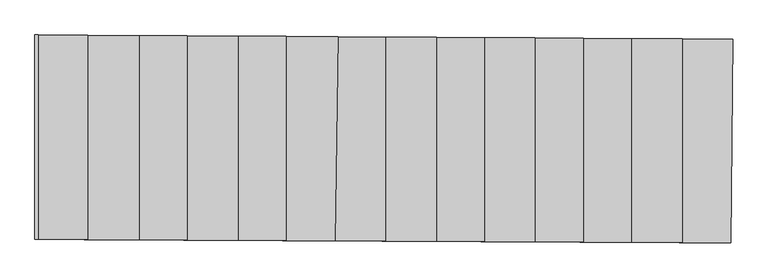
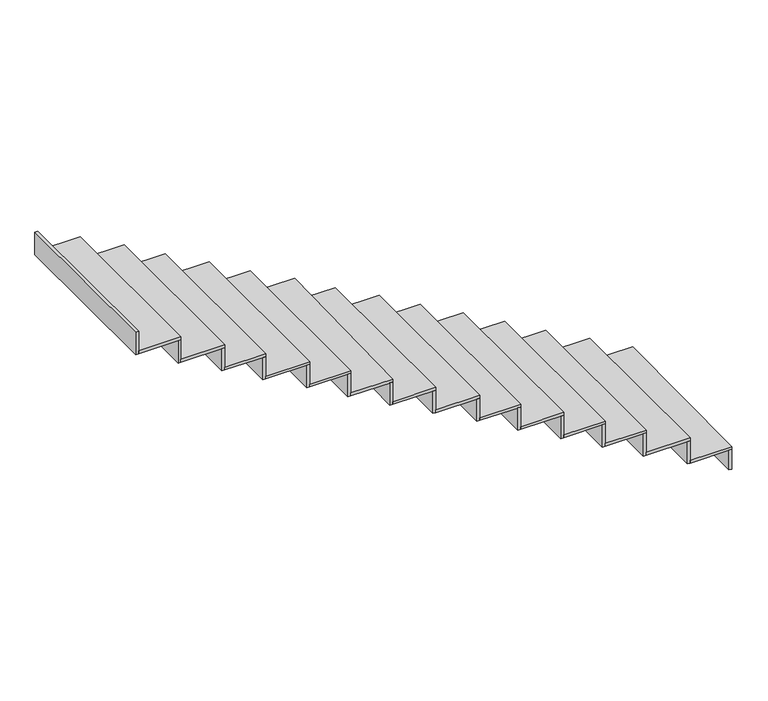
"""IFC4 building model written with IfcOpenShell, lengths in millimetres: stair flight geometry."""

from ifc_helpers import new_model, si_unit, frame, origin, place, context, project, spatial, polyline, outline, extrude, source, transform, mapped, element, save


def stair_flight_2b24ef8d(model_context):
    return source(origin(), model_context, "Body", "SweptSolid", [
        extrude(outline(polyline([(5230.8625795, 1831.1208739), (5250.862253, 1830.9993183), (5241.1629955, 640.676804), (5221.1631368, 640.7756317), (5230.8625795, 1831.1208739)])), frame((0.0, 0.0, -2416.5), z_axis=(0.0, 0.0, 1.0), x_axis=(1.0, 0.0, 0.0)), (0.0, 0.0, 1.0), 141.5197413),
        extrude(outline(polyline([(4957.952546, 642.0762646), (4957.952546, 1832.7795883), (5250.862253, 1830.9993183), (5241.1629955, 640.676804), (4957.952546, 642.0762646)])), frame((0.0, 0.0, -2274.9802587), z_axis=(0.0, 0.0, 1.0), x_axis=(1.0, 0.0, 0.0)), (0.0, 0.0, 1.0), 20.0),
        extrude(outline(polyline([(4937.952546, 1832.9011459), (4957.952546, 1832.7795883), (4957.952546, 642.0762646), (4937.952546, 642.1750929), (4937.952546, 1832.9011459)])), frame((0.0, 0.0, -2274.9802587), z_axis=(0.0, 0.0, 1.0), x_axis=(1.0, 0.0, 0.0)), (0.0, 0.0, 1.0), 161.5197413),
        extrude(outline(polyline([(4657.952546, 643.5586893), (4657.952546, 1834.6029523), (4957.952546, 1832.7795883), (4957.952546, 642.0762646), (4657.952546, 643.5586893)])), frame((0.0, 0.0, -2113.4605175), z_axis=(0.0, 0.0, 1.0), x_axis=(1.0, 0.0, 0.0)), (0.0, 0.0, 1.0), 20.0),
        extrude(outline(polyline([(4637.952546, 1834.7245099), (4657.952546, 1834.6029523), (4657.952546, 643.5586893), (4637.952546, 643.6575176), (4637.952546, 1834.7245099)])), frame((0.0, 0.0, -2113.4605175), z_axis=(0.0, 0.0, 1.0), x_axis=(1.0, 0.0, 0.0)), (0.0, 0.0, 1.0), 161.5197413),
        extrude(outline(polyline([(4377.952546, 644.9422857), (4377.952546, 1836.3047586), (4657.952546, 1834.6029523), (4657.952546, 643.5586893), (4377.952546, 644.9422857)])), frame((0.0, 0.0, -1951.9407762), z_axis=(0.0, 0.0, 1.0), x_axis=(1.0, 0.0, 0.0)), (0.0, 0.0, 1.0), 20.0),
        extrude(outline(polyline([(4357.952546, 1836.4263162), (4377.952546, 1836.3047586), (4377.952546, 644.9422857), (4357.952546, 645.041114), (4357.952546, 1836.4263162)])), frame((0.0, 0.0, -1951.9407762), z_axis=(0.0, 0.0, 1.0), x_axis=(1.0, 0.0, 0.0)), (0.0, 0.0, 1.0), 161.5197413),
        extrude(outline(polyline([(4093.4493556, 646.3481343), (4093.4493556, 1838.0339349), (4377.952546, 1836.3047586), (4377.952546, 644.9422857), (4093.4493556, 646.3481343)])), frame((0.0, 0.0, -1790.421035), z_axis=(0.0, 0.0, 1.0), x_axis=(1.0, 0.0, 0.0)), (0.0, 0.0, 1.0), 20.0),
        extrude(outline(polyline([(4073.4493556, 1838.1554925), (4093.4493556, 1838.0339349), (4093.4493556, 646.3481343), (4073.4493556, 646.4469626), (4073.4493556, 1838.1554925)])), frame((0.0, 0.0, -1790.421035), z_axis=(0.0, 0.0, 1.0), x_axis=(1.0, 0.0, 0.0)), (0.0, 0.0, 1.0), 161.5197413),
        extrude(outline(polyline([(3800.180636, 647.7972969), (3800.180636, 1839.8163869), (4093.4493556, 1838.0339349), (4093.4493556, 646.3481343), (3800.180636, 647.7972969)])), frame((0.0, 0.0, -1628.9012937), z_axis=(0.0, 0.0, 1.0), x_axis=(1.0, 0.0, 0.0)), (0.0, 0.0, 1.0), 20.0),
        extrude(outline(polyline([(3780.180636, 1839.9379445), (3800.180636, 1839.8163869), (3800.180636, 647.7972969), (3780.180636, 647.8961253), (3780.180636, 1839.9379445)])), frame((0.0, 0.0, -1628.9012937), z_axis=(0.0, 0.0, 1.0), x_axis=(1.0, 0.0, 0.0)), (0.0, 0.0, 1.0), 161.5197413),
        extrude(outline(polyline([(3520.180636, 649.1808933), (3520.180636, 1841.5181933), (3800.180636, 1839.8163869), (3800.180636, 647.7972969), (3520.180636, 649.1808933)])), frame((0.0, 0.0, -1467.3815524), z_axis=(0.0, 0.0, 1.0), x_axis=(1.0, 0.0, 0.0)), (0.0, 0.0, 1.0), 20.0),
        extrude(outline(polyline([(3500.180636, 1841.6397509), (3520.180636, 1841.5181933), (3520.180636, 649.1808933), (3500.180636, 649.2797217), (3500.180636, 1841.6397509)])), frame((0.0, 0.0, -1467.3815524), z_axis=(0.0, 0.0, 1.0), x_axis=(1.0, 0.0, 0.0)), (0.0, 0.0, 1.0), 161.5197413),
        extrude(outline(polyline([(3220.180636, 650.6633181), (3220.180636, 1843.3415572), (3520.180636, 1841.5181933), (3520.180636, 649.1808933), (3220.180636, 650.6633181)])), frame((0.0, 0.0, -1305.8618112), z_axis=(0.0, 0.0, 1.0), x_axis=(1.0, 0.0, 0.0)), (0.0, 0.0, 1.0), 20.0),
        extrude(outline(polyline([(3200.180636, 1843.4631148), (3220.180636, 1843.3415572), (3220.180636, 650.6633181), (3200.180636, 650.7621464), (3200.180636, 1843.4631148)])), frame((0.0, 0.0, -1305.8618112), z_axis=(0.0, 0.0, 1.0), x_axis=(1.0, 0.0, 0.0)), (0.0, 0.0, 1.0), 161.5197413),
        extrude(outline(polyline([(2925.4652229, 652.1196294), (2944.0648197, 1845.019756), (3220.180636, 1843.3415572), (3220.180636, 650.6633181), (2925.4652229, 652.1196294)])), frame((0.0, 0.0, -1144.3420699), z_axis=(0.0, 0.0, 1.0), x_axis=(1.0, 0.0, 0.0)), (0.0, 0.0, 1.0), 20.0),
        extrude(outline(polyline([(2924.0642841, 1845.1413169), (2944.0648197, 1845.019756), (2925.4652229, 652.1196294), (2905.464333, 652.2184622), (2924.0642841, 1845.1413169)])), frame((0.0, 0.0, -1144.3420699), z_axis=(0.0, 0.0, 1.0), x_axis=(1.0, 0.0, 0.0)), (0.0, 0.0, 1.0), 161.5197413),
        extrude(outline(polyline([(2640.6396958, 653.5270708), (2640.6396958, 1846.8639375), (2944.0648197, 1845.019756), (2925.4652229, 652.1196294), (2640.6396958, 653.5270708)])), frame((0.0, 0.0, -982.8223286), z_axis=(0.0, 0.0, 1.0), x_axis=(1.0, 0.0, 0.0)), (0.0, 0.0, 1.0), 20.0),
        extrude(outline(polyline([(2620.6396958, 1846.9854951), (2640.6396958, 1846.8639375), (2640.6396958, 653.5270708), (2620.6396958, 653.6258991), (2620.6396958, 1846.9854951)])), frame((0.0, 0.0, -982.8223286), z_axis=(0.0, 0.0, 1.0), x_axis=(1.0, 0.0, 0.0)), (0.0, 0.0, 1.0), 161.5197413),
        extrude(outline(polyline([(2360.6396958, 654.9106672), (2360.6396958, 1848.5657438), (2640.6396958, 1846.8639375), (2640.6396958, 653.5270708), (2360.6396958, 654.9106672)])), frame((0.0, 0.0, -821.3025874), z_axis=(0.0, 0.0, 1.0), x_axis=(1.0, 0.0, 0.0)), (0.0, 0.0, 1.0), 20.0),
        extrude(outline(polyline([(2340.6396958, 1848.6873014), (2360.6396958, 1848.5657438), (2360.6396958, 654.9106672), (2340.6396958, 655.0094955), (2340.6396958, 1848.6873014)])), frame((0.0, 0.0, -821.3025874), z_axis=(0.0, 0.0, 1.0), x_axis=(1.0, 0.0, 0.0)), (0.0, 0.0, 1.0), 161.5197413),
        extrude(outline(polyline([(2060.287584, 656.3948318), (2060.287584, 1850.3912479), (2360.6396958, 1848.5657438), (2360.6396958, 654.9106672), (2060.287584, 656.3948318)])), frame((0.0, 0.0, -659.7828461), z_axis=(0.0, 0.0, 1.0), x_axis=(1.0, 0.0, 0.0)), (0.0, 0.0, 1.0), 20.0),
        extrude(outline(polyline([(2040.287584, 1850.5128055), (2060.287584, 1850.3912479), (2060.287584, 656.3948318), (2040.287584, 656.4936601), (2040.287584, 1850.5128055)])), frame((0.0, 0.0, -659.7828461), z_axis=(0.0, 0.0, 1.0), x_axis=(1.0, 0.0, 0.0)), (0.0, 0.0, 1.0), 161.5197413),
        extrude(outline(polyline([(1780.3216129, 657.7782601), (1780.3216129, 1852.0928474), (2060.287584, 1850.3912479), (2060.287584, 656.3948318), (1780.3216129, 657.7782601)])), frame((0.0, 0.0, -498.2631049), z_axis=(0.0, 0.0, 1.0), x_axis=(1.0, 0.0, 0.0)), (0.0, 0.0, 1.0), 20.0),
        extrude(outline(polyline([(1760.3216129, 1852.214405), (1780.3216129, 1852.0928474), (1780.3216129, 657.7782601), (1760.3216129, 657.8770884), (1760.3216129, 1852.214405)])), frame((0.0, 0.0, -498.2631049), z_axis=(0.0, 0.0, 1.0), x_axis=(1.0, 0.0, 0.0)), (0.0, 0.0, 1.0), 161.5197413),
        extrude(outline(polyline([(1480.3216129, 659.2606848), (1480.3216129, 1853.9162114), (1780.3216129, 1852.0928474), (1780.3216129, 657.7782601), (1480.3216129, 659.2606848)])), frame((0.0, 0.0, -336.7433636), z_axis=(0.0, 0.0, 1.0), x_axis=(1.0, 0.0, 0.0)), (0.0, 0.0, 1.0), 20.0),
        extrude(outline(polyline([(1460.3216129, 1854.037769), (1480.3216129, 1853.9162114), (1480.3216129, 659.2606848), (1460.3216129, 659.3595131), (1460.3216129, 1854.037769)])), frame((0.0, 0.0, -336.7433636), z_axis=(0.0, 0.0, 1.0), x_axis=(1.0, 0.0, 0.0)), (0.0, 0.0, 1.0), 161.5197413),
        extrude(outline(polyline([(1170.9372403, 1855.7966125), (1190.9372403, 1855.6750549), (1190.9372403, 660.6906533), (1170.9372403, 660.7894816), (1170.9372403, 1855.7966125)])), frame((0.0, 0.0, -175.2236223), z_axis=(0.0, 0.0, 1.0), x_axis=(1.0, 0.0, 0.0)), (0.0, 0.0, 1.0), 161.5197413),
        extrude(outline(polyline([(1190.9372403, 660.6906533), (1190.9372403, 1855.6750549), (1480.3216129, 1853.9162114), (1480.3216129, 659.2606848), (1190.9372403, 660.6906533)])), frame((0.0, 0.0, -175.2236223), z_axis=(0.0, 0.0, 1.0), x_axis=(1.0, 0.0, 0.0)), (0.0, 0.0, 1.0), 20.0),
    ])


if __name__ == "__main__":
    model = new_model("IFC4")
    model_context = context("Model", 3, world=origin())
    ifc_project = project(units=[si_unit("LENGTHUNIT", "METRE", prefix="MILLI")], contexts=[model_context])
    site = spatial("IfcSite", under=ifc_project)
    building = spatial("IfcBuilding", under=site)
    placement = place(None, origin())
    stair_flight_shape = stair_flight_2b24ef8d(model_context)
    element("IfcStairFlight", 1, at=placement, inside=building, context=model_context, shape_type="MappedRepresentation", body=[
        mapped(stair_flight_shape, transform((0.0, 0.0, 0.0), x_axis=(1.0, 0.0, 0.0), y_axis=(0.0, 1.0, 0.0), z_axis=(0.0, 0.0, 1.0))),
    ])
    save(model, "model.ifc")
